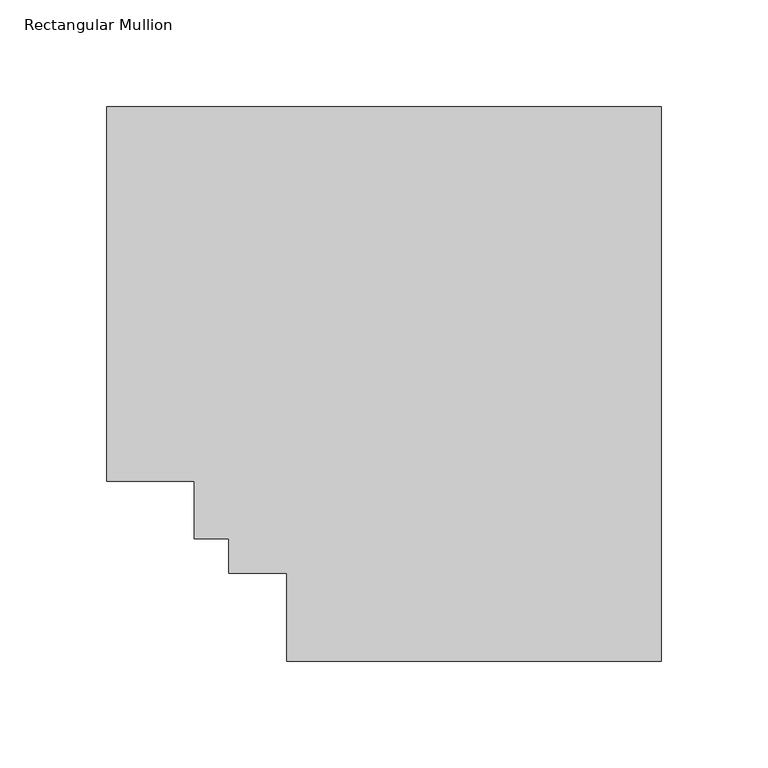
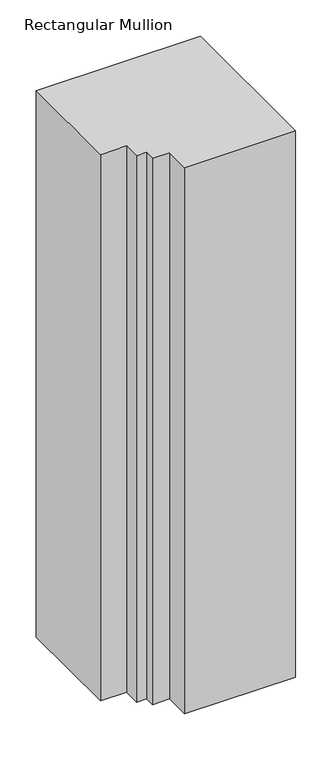
"""IFC4 building model written with IfcOpenShell, lengths in millimetres: member geometry, Rectangular Mullion."""

from ifc_helpers import new_model, si_unit, frame, origin, place, context, project, spatial, polyline, outline, extrude, source, transform, mapped, element, save


def rectangular_mullion_e344d629(model_context):
    return source(origin(), model_context, "Body", "SweptSolid", [
        extrude(outline(polyline([(0.0, 222.5381312), (0.0, -37.7805771), (-175.7934011, -37.7805771), (-175.7934011, 3.4944228), (-202.9714011, 3.4944228), (-202.9714011, 19.5667302), (-219.0437084, 19.5667302), (-219.0437084, 46.7447302), (-260.3187084, 46.7447302), (-260.3187084, 222.5381312), (0.0, 222.5381312)])), frame((0.0, 0.0, -914.4), z_axis=(0.0, 0.0, 1.0), x_axis=(1.0, 0.0, 0.0)), (0.0, 0.0, 1.0), 914.4),
    ])


if __name__ == "__main__":
    model = new_model("IFC4")
    model_context = context("Model", 3, world=origin())
    ifc_project = project(units=[si_unit("LENGTHUNIT", "METRE", prefix="MILLI")], contexts=[model_context])
    site = spatial("IfcSite", under=ifc_project)
    building = spatial("IfcBuilding", under=site)
    placement = place(None, origin())
    rectangular_mullion_shape = rectangular_mullion_e344d629(model_context)
    element("IfcMember", 1, ObjectType="Rectangular Mullion", at=placement, inside=building, context=model_context, shape_type="MappedRepresentation", body=[
        mapped(rectangular_mullion_shape, transform((0.0, 0.0, 0.0), x_axis=(1.0, 0.0, 0.0), y_axis=(0.0, 1.0, 0.0), z_axis=(0.0, 0.0, 1.0))),
    ])
    save(model, "model.ifc")
